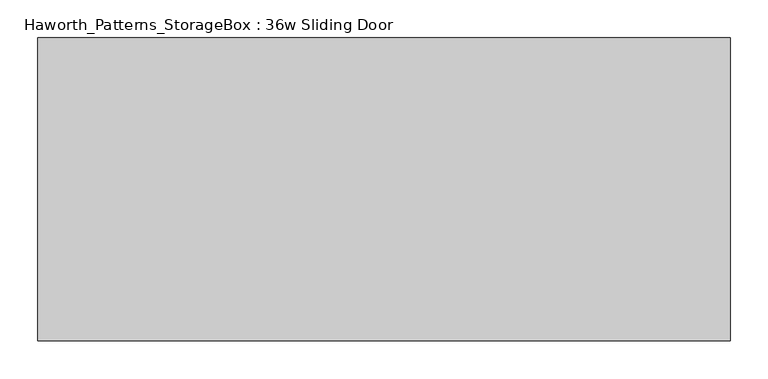
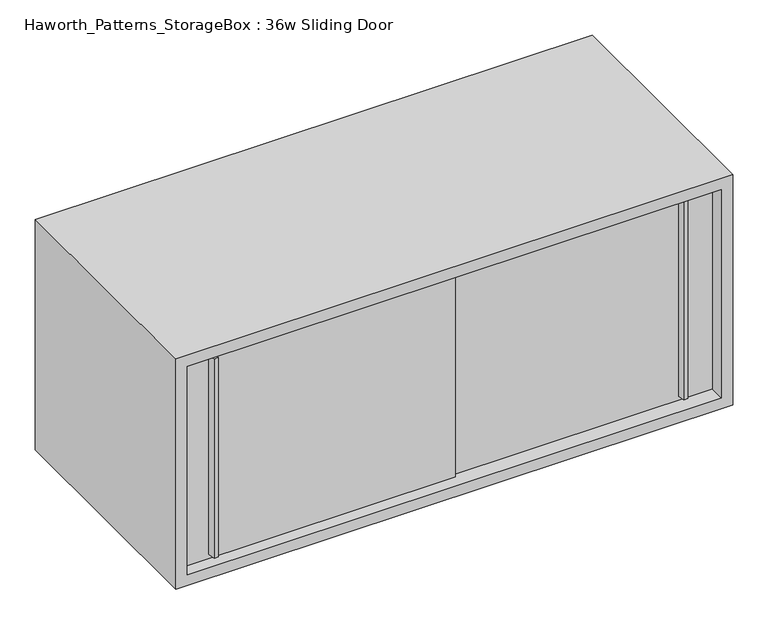
"""IFC4 building model written with IfcOpenShell, lengths in millimetres: furniture geometry, Haworth_Patterns_StorageBox : 36w Sliding Door."""

from ifc_helpers import new_model, si_unit, frame, origin, place, context, project, spatial, polyline, outline, extrude, source, transform, mapped, element, save


def haworth_patterns_storagebox_36w_sliding_door_ccb2f274(model_context):
    return source(origin(), model_context, "Body", "SweptSolid", [
        extrude(outline(polyline([(555.6250004, -387.3499879), (549.2749996, -387.3499879), (547.6875011, -374.65), (557.2124989, -374.65), (555.6250004, -387.3499879)])), frame((0.0, 0.0, 808.0375), z_axis=(0.0, 0.0, 1.0), x_axis=(1.0, 0.0, 0.0)), (0.0, 0.0, 1.0), 346.075),
        extrude(outline(polyline([(-219.0749996, -393.6999879), (-225.4250004, -393.6999879), (-227.0124989, -381.0), (-217.4875011, -381.0), (-219.0749996, -393.6999879)])), frame((0.0, 0.0, 808.0375), z_axis=(0.0, 0.0, 1.0), x_axis=(1.0, 0.0, 0.0)), (0.0, 0.0, 1.0), 346.075),
        extrude(outline(polyline([(-273.05, -374.65), (177.8, -374.65), (177.8, -381.0), (-273.05, -381.0), (-273.05, -374.65)])), frame((0.0, 0.0, 800.1), z_axis=(0.0, 0.0, 1.0), x_axis=(1.0, 0.0, 0.0)), (0.0, 0.0, 1.0), 361.95),
        extrude(outline(polyline([(152.4, -368.3), (603.25, -368.3), (603.25, -374.65), (152.4, -374.65), (152.4, -368.3)])), frame((0.0, 0.0, 800.1), z_axis=(0.0, 0.0, 1.0), x_axis=(1.0, 0.0, 0.0)), (0.0, 0.0, 1.0), 361.95),
        extrude(outline(polyline([(-238.125, -346.075), (-238.125, -53.975), (568.325, -53.975), (568.325, -346.075), (-238.125, -346.075)])), frame((0.0, 0.0, 762.0), z_axis=(0.0, 0.0, 1.0), x_axis=(1.0, 0.0, 0.0)), (0.0, 0.0, 1.0), 19.05),
        extrude(outline(polyline([(603.25, -19.05), (-273.05, -19.05), (-273.05, 0.0), (603.25, 0.0), (603.25, -19.05)])), frame((0.0, 0.0, 800.1), z_axis=(0.0, 0.0, 1.0), x_axis=(1.0, 0.0, 0.0)), (0.0, 0.0, 1.0), 361.95),
        extrude(outline(polyline([(781.05, 622.3), (1181.1, 622.3), (1181.1, -292.1), (781.05, -292.1), (781.05, 622.3)]), holes=[polyline([(1162.05, 603.25), (800.1, 603.25), (800.1, -273.05), (1162.05, -273.05), (1162.05, 603.25)])]), frame((0.0, -400.05, 0.0), z_axis=(0.0, 1.0, 0.0), x_axis=(0.0, 0.0, 1.0)), (0.0, 0.0, 1.0), 400.05),
    ])


if __name__ == "__main__":
    model = new_model("IFC4")
    model_context = context("Model", 3, world=origin())
    ifc_project = project(units=[si_unit("LENGTHUNIT", "METRE", prefix="MILLI")], contexts=[model_context])
    site = spatial("IfcSite", under=ifc_project)
    building = spatial("IfcBuilding", under=site)
    placement = place(None, origin())
    haworth_patterns_storagebox_36w_sliding_door_shape = haworth_patterns_storagebox_36w_sliding_door_ccb2f274(model_context)
    element("IfcFurniture", 1, ObjectType="Haworth_Patterns_StorageBox : 36w Sliding Door", at=placement, inside=building, context=model_context, shape_type="MappedRepresentation", body=[
        mapped(haworth_patterns_storagebox_36w_sliding_door_shape, transform((0.0, 0.0, 0.0), x_axis=(1.0, 0.0, 0.0), y_axis=(0.0, 1.0, 0.0), z_axis=(0.0, 0.0, 1.0))),
    ])
    save(model, "model.ifc")
